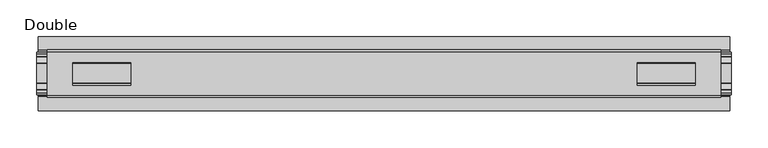
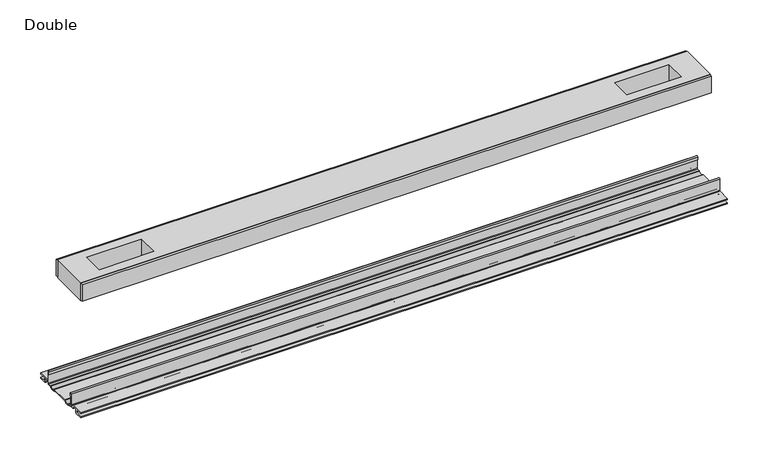
"""IFC4 building model written with IfcOpenShell, lengths in millimetres: proxy geometry, Double."""

from ifc_helpers import new_model, si_unit, point, frame, frame_2d, origin, place, context, project, spatial, polyline, circle_curve, trimmed, segment, composite_curve, outline, extrude, source, transform, mapped, element, save


def double_2ac2d2b6(model_context):
    return source(origin(), model_context, "Body", "SweptSolid", [
        extrude(outline(polyline([(457.2161097, -29.0068005), (457.2161097, -32.1817997), (-457.2161097, -32.1817997), (-457.2161097, -29.0068005), (457.2161097, -29.0068005)])), frame((0.0, 0.0, 149.8401622), z_axis=(0.0, 0.0, 1.0), x_axis=(1.0, 0.0, 0.0)), (0.0, 0.0, 1.0), 25.3999939),
        extrude(outline(polyline([(457.2161097, 32.1817997), (457.2161097, 29.0068005), (-457.2161097, 29.0068005), (-457.2161097, 32.1817997), (457.2161097, 32.1817997)])), frame((0.0, 0.0, 149.8401622), z_axis=(0.0, 0.0, 1.0), x_axis=(1.0, 0.0, 0.0)), (0.0, 0.0, 1.0), 25.3999939),
        extrude(outline(polyline([(457.2161097, 29.0068005), (457.2161097, -29.0068005), (-457.2161097, -29.0068005), (-457.2161097, 29.0068005), (457.2161097, 29.0068005)]), holes=[polyline([(422.7990971, 15.1130038), (343.7542853, 15.1130038), (343.7542853, -15.875003), (422.7990971, -15.875003), (422.7990971, 15.1130038)]), polyline([(-422.7990971, 15.1130038), (-422.7990971, -15.875003), (-343.7542853, -15.875003), (-343.7542853, 15.1130038), (-422.7990971, 15.1130038)])]), frame((0.0, 0.0, 148.4185847), z_axis=(0.0, 0.0, 1.0), x_axis=(1.0, 0.0, 0.0)), (0.0, 0.0, 1.0), 27.9999988),
        extrude(outline(composite_curve([segment(polyline([(-28.8162961, -7.7516037), (-28.8162961, 9.8607558)]), True, "CONTINUOUS"), segment(trimmed(circle_curve(frame_2d((-27.5970982, 9.8607558)), 1.2191979), [point((-28.8162961, 9.8607558))], [point((-26.3779003, 9.8607558))], False, "CARTESIAN"), True, "CONTINUOUS"), segment(polyline([(-26.3779003, 9.8607558), (-26.3779003, 5.9999563), (-27.6580769, 5.9999563), (-27.6580769, -7.7516037)]), True, "CONTINUOUS"), segment(trimmed(circle_curve(frame_2d((-26.6420561, -7.7516037)), 1.0160208), [point((-27.6580769, -7.7516037))], [point((-26.6485732, -8.7676036))], True, "CARTESIAN"), True, "CONTINUOUS"), segment(polyline([(-26.6485732, -8.7676036), (-22.7056226, -8.7676036), (-21.7922609, -8.968753)]), True, "CONTINUOUS"), segment(trimmed(circle_curve(frame_2d((-17.7673021, -6.1259382)), 4.9276657), [point((-21.7922609, -8.968753))], [point((-13.7423434, -8.968753))], True, "CARTESIAN"), True, "CONTINUOUS"), segment(polyline([(-13.7423434, -8.968753), (-12.8289726, -8.7676036), (13.2099722, -8.7676036), (14.123343, -8.968753)]), True, "CONTINUOUS"), segment(trimmed(circle_curve(frame_2d((18.1483018, -6.1259382)), 4.9276657), [point((14.123343, -8.968753))], [point((22.1732605, -8.968753))], True, "CARTESIAN"), True, "CONTINUOUS"), segment(polyline([(22.1732605, -8.968753), (23.0866222, -8.7676036), (27.0295728, -8.7676036)]), True, "CONTINUOUS"), segment(trimmed(circle_curve(frame_2d((27.0230557, -7.7516037)), 1.0160208), [point((27.0295728, -8.7676036))], [point((28.0390765, -7.7516037))], True, "CARTESIAN"), True, "CONTINUOUS"), segment(polyline([(28.0390765, -7.7516037), (28.0390765, 5.9999563), (26.7588999, 5.9999563), (26.7588999, 9.8607558)]), True, "CONTINUOUS"), segment(trimmed(circle_curve(frame_2d((27.9780978, 9.8607558)), 1.2191979), [point((26.7588999, 9.8607558))], [point((29.1972958, 9.8607558))], False, "CARTESIAN"), True, "CONTINUOUS"), segment(polyline([(29.1972958, 9.8607558), (29.1972958, -7.7516037)]), True, "CONTINUOUS"), segment(trimmed(circle_curve(frame_2d((27.0230557, -7.7516037)), 2.17424), [point((29.1972958, -7.7516037))], [point((27.0230557, -9.9258438))], False, "CARTESIAN"), True, "CONTINUOUS"), segment(polyline([(27.0230557, -9.9258438), (22.732069, -9.9258438)]), True, "CONTINUOUS"), segment(trimmed(circle_curve(frame_2d((18.1516545, -6.4800016)), 5.7318431), [point((22.732069, -9.9258438))], [point((13.57124, -9.9258438))], False, "CARTESIAN"), True, "CONTINUOUS"), segment(polyline([(13.57124, -9.9258438), (-13.1902404, -9.9258438)]), True, "CONTINUOUS"), segment(trimmed(circle_curve(frame_2d((-17.7706549, -6.4800016)), 5.7318431), [point((-13.1902404, -9.9258438))], [point((-22.3510694, -9.9258438))], False, "CARTESIAN"), True, "CONTINUOUS"), segment(polyline([(-22.3510694, -9.9258438), (-26.6420561, -9.9258438)]), True, "CONTINUOUS"), segment(trimmed(circle_curve(frame_2d((-26.6420561, -7.7516037)), 2.17424), [point((-26.6420561, -9.9258438))], [point((-28.8162961, -7.7516037))], False, "CARTESIAN"), True, "CONTINUOUS")], self_intersect=False)), frame((-471.2750006, 0.0, 0.0), z_axis=(1.0, 0.0, 0.0), x_axis=(0.0, 1.0, 0.0)), (0.0, 0.0, 1.0), 942.5500012),
        extrude(outline(composite_curve([segment(polyline([(-50.2668422, -13.9898438), (-50.2240211, -12.3388438), (-39.7827507, -12.3388438), (-39.7827507, -7.766844), (-50.2240211, -7.766844), (-50.2668422, -6.1158439), (-31.1784975, -6.1158439)]), True, "CONTINUOUS"), segment(trimmed(circle_curve(frame_2d((-31.1784975, -7.6398436)), 1.5239997), [point((-31.1784975, -6.1158439))], [point((-29.6544978, -7.6398436))], False, "CARTESIAN"), True, "CONTINUOUS"), segment(polyline([(-29.6544978, -7.6398436), (-29.6544978, -9.9258438), (-23.1058344, -9.9258438)]), True, "CONTINUOUS"), segment(trimmed(circle_curve(frame_2d((-17.7673021, -5.2268471)), 7.1119966), [point((-23.1058344, -9.9258438))], [point((-12.4287699, -9.9258438))], True, "CARTESIAN"), True, "CONTINUOUS"), segment(polyline([(-12.4287699, -9.9258438), (12.8097695, -9.9258438)]), True, "CONTINUOUS"), segment(trimmed(circle_curve(frame_2d((18.1483018, -5.2268471)), 7.1119966), [point((12.8097695, -9.9258438))], [point((23.486834, -9.9258438))], True, "CARTESIAN"), True, "CONTINUOUS"), segment(polyline([(23.486834, -9.9258438), (30.0354975, -9.9258438), (30.0354975, -7.7656583)]), True, "CONTINUOUS"), segment(trimmed(circle_curve(frame_2d((31.6864982, -7.7656583)), 1.6510007), [point((30.0354975, -7.7656583))], [point((31.6239218, -6.1158439))], False, "CARTESIAN"), True, "CONTINUOUS"), segment(polyline([(31.6239218, -6.1158439), (50.00625, -6.1158439), (50.00625, -7.766844), (40.1637503, -7.766844), (40.1637503, -12.3388438), (50.00625, -12.3388438), (50.00625, -13.9898438), (40.0367518, -13.9898438)]), True, "CONTINUOUS"), segment(trimmed(circle_curve(frame_2d((40.0367518, -12.4658438)), 1.524), [point((40.0367518, -13.9898438))], [point((38.5127519, -12.4658438))], False, "CARTESIAN"), True, "CONTINUOUS"), segment(polyline([(38.5127519, -12.4658438), (38.5127519, -7.766844), (31.686497, -7.766844), (31.686497, -10.0528438)]), True, "CONTINUOUS"), segment(trimmed(circle_curve(frame_2d((30.1624971, -10.0528438)), 1.524), [point((31.686497, -10.0528438))], [point((30.1624971, -11.5768438))], False, "CARTESIAN"), True, "CONTINUOUS"), segment(polyline([(30.1624971, -11.5768438), (23.6563549, -11.5768438)]), True, "CONTINUOUS"), segment(trimmed(circle_curve(frame_2d((18.1483018, -6.4968436)), 7.4930002), [point((23.6563549, -11.5768438))], [point((12.8904968, -11.8354331))], False, "CARTESIAN"), True, "CONTINUOUS"), segment(polyline([(12.8904968, -11.8354331), (-12.5094972, -11.8354331)]), True, "CONTINUOUS"), segment(trimmed(circle_curve(frame_2d((-17.7673021, -6.4968436)), 7.4930002), [point((-12.5094972, -11.8354331))], [point((-23.2753553, -11.5768438))], False, "CARTESIAN"), True, "CONTINUOUS"), segment(polyline([(-23.2753553, -11.5768438), (-29.7814974, -11.5768438)]), True, "CONTINUOUS"), segment(trimmed(circle_curve(frame_2d((-29.7814974, -10.0528438)), 1.524), [point((-29.7814974, -11.5768438))], [point((-31.3054974, -10.0528438))], False, "CARTESIAN"), True, "CONTINUOUS"), segment(polyline([(-31.3054974, -10.0528438), (-31.3054974, -7.766844), (-38.1317522, -7.766844), (-38.1317522, -12.4658438)]), True, "CONTINUOUS"), segment(trimmed(circle_curve(frame_2d((-39.6557522, -12.4658438)), 1.524), [point((-38.1317522, -12.4658438))], [point((-39.6557522, -13.9898438))], False, "CARTESIAN"), True, "CONTINUOUS"), segment(polyline([(-39.6557522, -13.9898438), (-50.2668422, -13.9898438)]), True, "CONTINUOUS")], self_intersect=False)), frame((-469.6240006, 0.0, 0.0), z_axis=(1.0, 0.0, 0.0), x_axis=(0.0, 1.0, 0.0)), (0.0, 0.0, 1.0), 939.2480012),
    ])


if __name__ == "__main__":
    model = new_model("IFC4")
    model_context = context("Model", 3, world=origin())
    ifc_project = project(units=[si_unit("LENGTHUNIT", "METRE", prefix="MILLI")], contexts=[model_context])
    site = spatial("IfcSite", under=ifc_project)
    building = spatial("IfcBuilding", under=site)
    placement = place(None, origin())
    double_shape = double_2ac2d2b6(model_context)
    element("IfcBuildingElementProxy", 1, Name="Double", ObjectType="Double", at=placement, inside=building, context=model_context, shape_type="MappedRepresentation", body=[
        mapped(double_shape, transform((0.0, 0.0, 0.0), x_axis=(1.0, 0.0, 0.0), y_axis=(0.0, 1.0, 0.0), z_axis=(0.0, 0.0, 1.0))),
    ])
    save(model, "model.ifc")
